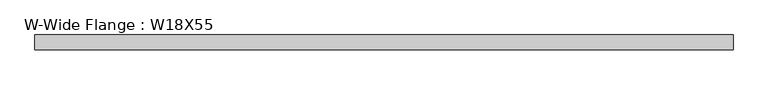
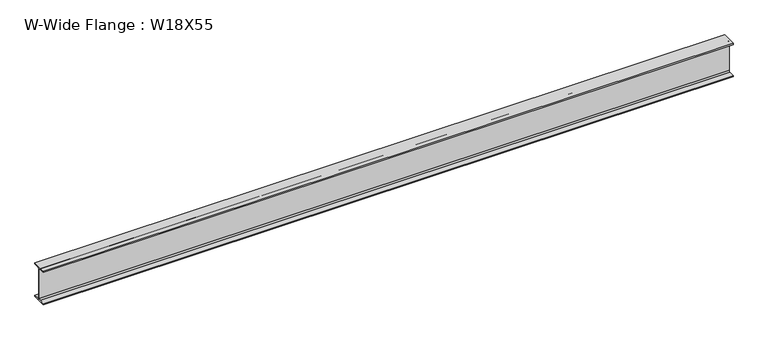
"""IFC4 building model written with IfcOpenShell, lengths in millimetres: beam geometry, W-Wide Flange : W18X55."""

from ifc_helpers import new_model, si_unit, point, frame, frame_2d, origin, place, context, project, spatial, polyline, circle_curve, trimmed, segment, composite_curve, outline, extrude, source, transform, mapped, element, save


def w_wide_flange_w18x55_b02f0c92(model_context):
    return source(origin(), model_context, "Body", "SweptSolid", [
        extrude(outline(composite_curve([segment(polyline([(95.646875, -213.915625), (95.646875, -229.8898438), (-95.646875, -229.8898438), (-95.646875, -213.915625), (-22.3242188, -213.915625)]), True, "CONTINUOUS"), segment(trimmed(circle_curve(frame_2d((-22.3242188, -196.5523438)), 17.3632813), [point((-22.3242188, -213.915625))], [point((-4.9609375, -196.5523438))], True, "CARTESIAN"), True, "CONTINUOUS"), segment(polyline([(-4.9609375, -196.5523438), (-4.9609375, 196.5523437)]), True, "CONTINUOUS"), segment(trimmed(circle_curve(frame_2d((-22.3242188, 196.5523437)), 17.3632812), [point((-4.9609375, 196.5523437))], [point((-22.3242188, 213.915625))], True, "CARTESIAN"), True, "CONTINUOUS"), segment(polyline([(-22.3242188, 213.915625), (-95.646875, 213.915625), (-95.646875, 229.8898437), (95.646875, 229.8898437), (95.646875, 213.915625), (22.3242187, 213.915625)]), True, "CONTINUOUS"), segment(trimmed(circle_curve(frame_2d((22.3242187, 196.5523437)), 17.3632813), [point((22.3242187, 213.915625))], [point((4.9609375, 196.5523437))], True, "CARTESIAN"), True, "CONTINUOUS"), segment(polyline([(4.9609375, 196.5523437), (4.9609375, -196.5523438)]), True, "CONTINUOUS"), segment(trimmed(circle_curve(frame_2d((22.3242187, -196.5523438)), 17.3632812), [point((4.9609375, -196.5523438))], [point((22.3242187, -213.915625))], True, "CARTESIAN"), True, "CONTINUOUS"), segment(polyline([(22.3242187, -213.915625), (95.646875, -213.915625)]), True, "CONTINUOUS")], self_intersect=False)), frame((-4476.75, 0.0, 0.0), z_axis=(1.0, 0.0, 0.0), x_axis=(0.0, 1.0, 0.0)), (0.0, 0.0, 1.0), 8953.5),
    ])


if __name__ == "__main__":
    model = new_model("IFC4")
    model_context = context("Model", 3, world=origin())
    ifc_project = project(units=[si_unit("LENGTHUNIT", "METRE", prefix="MILLI")], contexts=[model_context])
    site = spatial("IfcSite", under=ifc_project)
    building = spatial("IfcBuilding", under=site)
    placement = place(None, origin())
    w_wide_flange_w18x55_shape = w_wide_flange_w18x55_b02f0c92(model_context)
    element("IfcBeam", 1, ObjectType="W-Wide Flange : W18X55", at=placement, inside=building, context=model_context, shape_type="MappedRepresentation", body=[
        mapped(w_wide_flange_w18x55_shape, transform((0.0, 0.0, 0.0), x_axis=(1.0, 0.0, 0.0), y_axis=(0.0, 1.0, 0.0), z_axis=(0.0, 0.0, 1.0))),
    ])
    save(model, "model.ifc")
